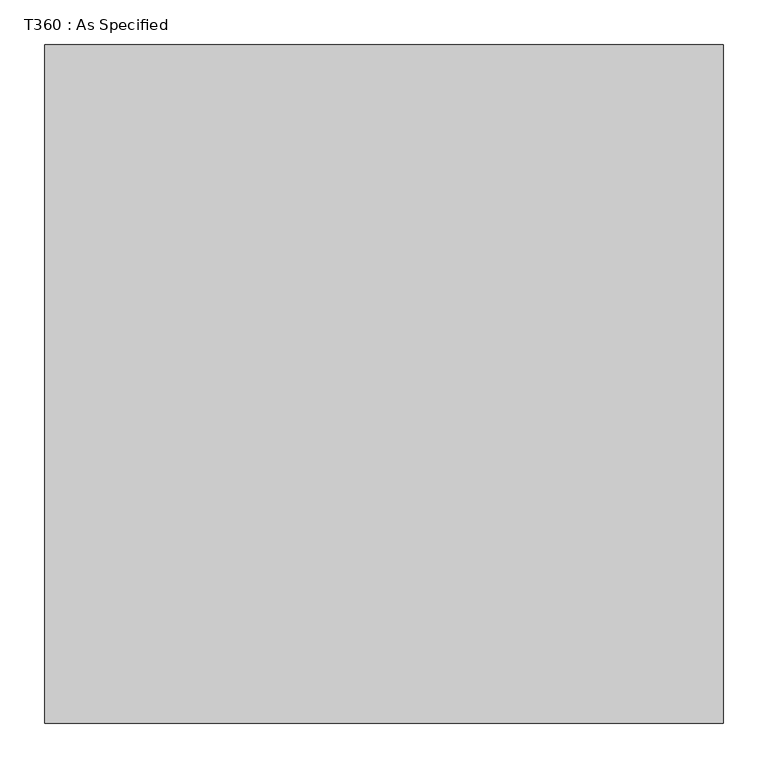
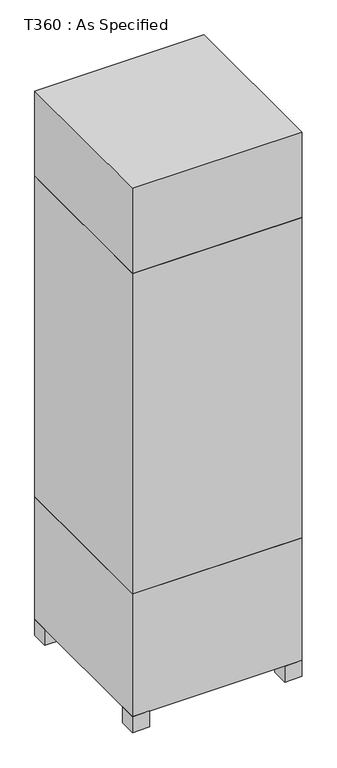
"""IFC4 building model written with IfcOpenShell, lengths in millimetres: proxy geometry, T360 : As Specified."""

from ifc_helpers import new_model, si_unit, frame, origin, origin_with_axes, place, context, project, spatial, polyline, outline, extrude, source, transform, mapped, element, save


def t360_as_specified_fa38f091(model_context):
    return source(origin(), model_context, "Body", "SweptSolid", [
        extrude(outline(polyline([(381.0, 381.0), (381.0, -381.0), (-381.0, -381.0), (-381.0, 381.0), (381.0, 381.0)])), frame((0.0, 0.0, 660.4), z_axis=(0.0, 0.0, 1.0), x_axis=(1.0, 0.0, 0.0)), (0.0, 0.0, 1.0), 1524.0),
        extrude(outline(polyline([(381.0, 381.0), (381.0, -381.0), (-381.0, -381.0), (-381.0, 381.0), (381.0, 381.0)])), frame((0.0, 0.0, 2184.4), z_axis=(0.0, 0.0, 1.0), x_axis=(1.0, 0.0, 0.0)), (0.0, 0.0, 1.0), 406.4),
        extrude(outline(polyline([(266.7, 228.6), (266.7, 152.4), (190.5, 152.4), (190.5, 228.6), (266.7, 228.6)])), frame((0.0, 0.0, 50.8), z_axis=(0.0, 0.0, 1.0), x_axis=(1.0, 0.0, 0.0)), (0.0, 0.0, 1.0), 25.4),
        extrude(outline(polyline([(266.7, -152.4), (266.7, -228.6), (190.5, -228.6), (190.5, -152.4), (266.7, -152.4)])), frame((0.0, 0.0, 50.8), z_axis=(0.0, 0.0, 1.0), x_axis=(1.0, 0.0, 0.0)), (0.0, 0.0, 1.0), 25.4),
        extrude(outline(polyline([(-304.8, 381.0), (-304.8, 304.8), (-381.0, 304.8), (-381.0, 381.0), (-304.8, 381.0)])), origin_with_axes(), (0.0, 0.0, 1.0), 76.2),
        extrude(outline(polyline([(381.0, 381.0), (381.0, 304.8), (304.8, 304.8), (304.8, 381.0), (381.0, 381.0)])), origin_with_axes(), (0.0, 0.0, 1.0), 76.2),
        extrude(outline(polyline([(381.0, -304.8), (381.0, -381.0), (304.8, -381.0), (304.8, -304.8), (381.0, -304.8)])), origin_with_axes(), (0.0, 0.0, 1.0), 76.2),
        extrude(outline(polyline([(-304.8, -304.8), (-304.8, -381.0), (-381.0, -381.0), (-381.0, -304.8), (-304.8, -304.8)])), origin_with_axes(), (0.0, 0.0, 1.0), 76.2),
        extrude(outline(polyline([(381.0, 381.0), (381.0, -381.0), (-381.0, -381.0), (-381.0, 381.0), (381.0, 381.0)])), frame((0.0, 0.0, 76.2), z_axis=(0.0, 0.0, 1.0), x_axis=(1.0, 0.0, 0.0)), (0.0, 0.0, 1.0), 584.2),
    ])


if __name__ == "__main__":
    model = new_model("IFC4")
    model_context = context("Model", 3, world=origin())
    ifc_project = project(units=[si_unit("LENGTHUNIT", "METRE", prefix="MILLI")], contexts=[model_context])
    site = spatial("IfcSite", under=ifc_project)
    building = spatial("IfcBuilding", under=site)
    placement = place(None, origin())
    t360_as_specified_shape = t360_as_specified_fa38f091(model_context)
    element("IfcBuildingElementProxy", 1, Name="T360 : As Specified", ObjectType="T360 : As Specified", at=placement, inside=building, context=model_context, shape_type="MappedRepresentation", body=[
        mapped(t360_as_specified_shape, transform((0.0, 0.0, 0.0), x_axis=(1.0, 0.0, 0.0), y_axis=(0.0, 1.0, 0.0), z_axis=(0.0, 0.0, 1.0))),
    ])
    save(model, "model.ifc")
